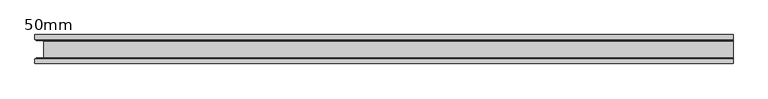
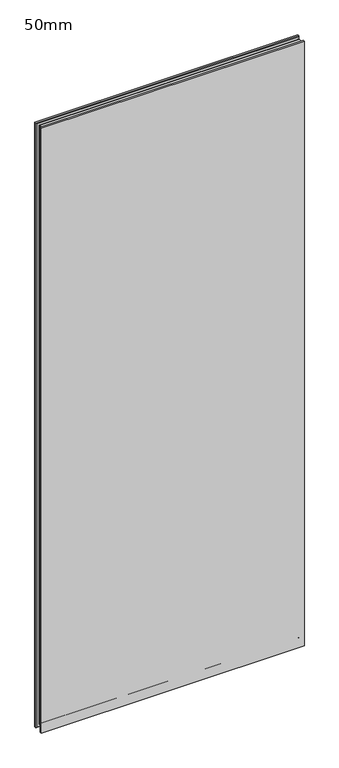
"""IFC4 building model written with IfcOpenShell, lengths in millimetres: plate geometry, 50mm."""

import ifcopenshell
import ifcopenshell.guid

model = None  # the IFC model being written
_history = None  # IfcOwnerHistory: only IFC2X3 demands one
_inside = {}  # id of a spatial element -> (the spatial element, [elements in it])
_under = {}  # id of a project, library or spatial element -> (it, [spatial elements below it])
_declared = {}  # id of a project -> (the project, [libraries it declares])
_typed = {}  # id of a type object -> (the type object, [elements of that type])
_made_of = {}  # id of a material, layer set ... -> (it, [elements and type objects made of it])


def new_model(schema):
    """Start an empty IFC model of exactly this schema.

    Asked for "IFC4X3", IfcOpenShell would pick the latest addendum, in which some entities
    have other attributes; the version numbers below select the first issue.
    IFC2X3 requires an IfcOwnerHistory on every rooted entity: one is made here for all.
    """
    global model, _history
    if schema == "IFC4X3":
        model = ifcopenshell.file(schema_version=(4, 3, 0, 0))
    else:
        model = ifcopenshell.file(schema=schema)
    _inside.clear()
    _under.clear()
    _declared.clear()
    _typed.clear()
    _made_of.clear()
    _history = None
    if model.schema == "IFC2X3":
        org = make("IfcOrganization", Name="unknown")
        user = make(
            "IfcPersonAndOrganization",
            ThePerson=make("IfcPerson", FamilyName="unknown"),
            TheOrganization=org,
        )
        app = make(
            "IfcApplication",
            ApplicationDeveloper=org,
            Version="unknown",
            ApplicationFullName="unknown",
            ApplicationIdentifier="unknown",
        )
        _history = make(
            "IfcOwnerHistory",
            OwningUser=user,
            OwningApplication=app,
            ChangeAction="ADDED",
            CreationDate=0,
        )
    return model


def make(cls, **values):
    """One entity of the class cls with the attributes given. An attribute that is None is left unset."""
    return model.create_entity(
        cls, **{name: value for name, value in values.items() if value is not None}
    )


def rooted(cls, **values):
    """An entity with a GlobalId (a new one), such as an element, a storey or a relation."""
    return make(cls, GlobalId=ifcopenshell.guid.new(), OwnerHistory=_history, **values)


def si_unit(unit_type, name, prefix=None):
    """IfcSIUnit, for example si_unit("LENGTHUNIT", "METRE", prefix="MILLI")."""
    return make("IfcSIUnit", UnitType=unit_type, Prefix=prefix, Name=name)


def assignment(units):
    """IfcUnitAssignment: the units of a project."""
    return None if units is None else make("IfcUnitAssignment", Units=units)


def point(xyz):
    """IfcCartesianPoint."""
    return None if xyz is None else make("IfcCartesianPoint", Coordinates=xyz)


def direction(xyz):
    """IfcDirection."""
    return None if xyz is None else make("IfcDirection", DirectionRatios=xyz)


def frame(location, z_axis=None, x_axis=None):
    """IfcAxis2Placement3D, a coordinate frame: its origin and axes. An axis left out is left unset."""
    return make(
        "IfcAxis2Placement3D",
        Location=point(location),
        Axis=direction(z_axis),
        RefDirection=direction(x_axis),
    )


def origin():
    """The frame at (0, 0, 0) with its axes left unset."""
    return frame((0.0, 0.0, 0.0))


def place(relative_to, where):
    """IfcLocalPlacement: puts the frame where relative to a parent placement (None: the world)."""
    return make(
        "IfcLocalPlacement", PlacementRelTo=relative_to, RelativePlacement=where
    )


def context(
    kind, dimensions, precision=None, world=None, true_north=None, identifier=None
):
    """IfcGeometricRepresentationContext, for example the 3D "Model" context."""
    return make(
        "IfcGeometricRepresentationContext",
        ContextIdentifier=identifier,
        ContextType=kind,
        CoordinateSpaceDimension=dimensions,
        Precision=precision,
        WorldCoordinateSystem=world,
        TrueNorth=true_north,
    )


def project(units=None, contexts=None):
    """IfcProject with its units and contexts."""
    return rooted(
        "IfcProject",
        Name="project",
        RepresentationContexts=contexts,
        UnitsInContext=assignment(units),
    )


def spatial(cls, under=None, at=None, **own):
    """A site, building, storey or space (cls), placed at a placement, below another one or the project."""
    s = rooted(cls, ObjectPlacement=at, **own)
    if under is not None:
        _under.setdefault(under.id(), (under, []))[1].append(s)
    return s


def polyline(points):
    """IfcPolyline through the points."""
    return make("IfcPolyline", Points=[point(p) for p in points])


def circle_curve(where, radius):
    """IfcCircle in the frame where."""
    return make("IfcCircle", Position=where, Radius=radius)


def ellipse_curve(where, semi_axis1, semi_axis2):
    """IfcEllipse in the frame where."""
    return make(
        "IfcEllipse", Position=where, SemiAxis1=semi_axis1, SemiAxis2=semi_axis2
    )


def shape(context_of_items, identifier, shape_type, items):
    """IfcShapeRepresentation: the items that make up one representation, for example the "Body"."""
    return make(
        "IfcShapeRepresentation",
        ContextOfItems=context_of_items,
        RepresentationIdentifier=identifier,
        RepresentationType=shape_type,
        Items=items,
    )


def source(mapping_origin, context_of_items, identifier, shape_type, items):
    """IfcRepresentationMap: a shape defined once, which mapped items show again and again."""
    return make(
        "IfcRepresentationMap",
        MappingOrigin=mapping_origin,
        MappedRepresentation=shape(context_of_items, identifier, shape_type, items),
    )


def transform(
    local_origin,
    x_axis=None,
    y_axis=None,
    z_axis=None,
    scale=None,
    scale2=None,
    scale3=None,
    uniform=True,
):
    """IfcCartesianTransformationOperator3D, or its non-uniform kind. x_axis, y_axis, z_axis: its Axis1, 2, 3."""
    if uniform:
        return make(
            "IfcCartesianTransformationOperator3D",
            Axis1=direction(x_axis),
            Axis2=direction(y_axis),
            LocalOrigin=point(local_origin),
            Scale=scale,
            Axis3=direction(z_axis),
        )
    return make(
        "IfcCartesianTransformationOperator3DnonUniform",
        Axis1=direction(x_axis),
        Axis2=direction(y_axis),
        LocalOrigin=point(local_origin),
        Scale=scale,
        Axis3=direction(z_axis),
        Scale2=scale2,
        Scale3=scale3,
    )


def mapped(mapping_source, mapping_target):
    """IfcMappedItem: shows the shape of a source again, moved by a transform."""
    return make(
        "IfcMappedItem", MappingSource=mapping_source, MappingTarget=mapping_target
    )


def made_of(thing, what):
    """Note that an element or type object is made of a material, layer set ...; save() writes the relation."""
    if what is not None:
        _made_of.setdefault(what.id(), (what, []))[1].append(thing)
    return thing


def element(
    cls,
    number,
    at=None,
    inside=None,
    cuts=None,
    type_object=None,
    material=None,
    context=None,
    identifier="Body",
    shape_type=None,
    held_by="IfcProductDefinitionShape",
    body=None,
    shapes=None,
    **own,
):
    """One element of the class cls, such as IfcWall. Its Tag is "e" and its number.

    at: its placement. inside: the storey or other place that contains it. cuts: it is an
    opening in that element (IfcRelVoidsElement). A single representation is given by context,
    identifier, shape_type and body (its items); several are given by shapes. held_by: the class
    of the entity that holds the representations. save() writes the other relations.
    """
    e = rooted(cls, Tag="e%d" % number, ObjectPlacement=at, **own)
    if body is not None:
        shapes = [shape(context, identifier, shape_type, body)]
    if shapes is not None:
        e.Representation = make(held_by, Representations=shapes)
    if inside is not None:
        _inside.setdefault(inside.id(), (inside, []))[1].append(e)
    if cuts is not None:
        rooted(
            "IfcRelVoidsElement", RelatingBuildingElement=cuts, RelatedOpeningElement=e
        )
    if type_object is not None:
        _typed.setdefault(type_object.id(), (type_object, []))[1].append(e)
    return made_of(e, material)


def aggregate(whole, parts):
    """IfcRelAggregates: a whole, such as a stair, and the parts it consists of."""
    return rooted("IfcRelAggregates", RelatingObject=whole, RelatedObjects=parts)


def save(model, path):
    """Write the relations noted so far, then the file.

    IfcRelAggregates (storeys below a building ...), IfcRelContainedInSpatialStructure (elements
    in a storey), IfcRelDefinesByType, IfcRelAssociatesMaterial and IfcRelDeclares: one each for
    every whole, place, type object, material and project.
    """
    for whole, parts in _under.values():
        aggregate(whole, parts)
    for where, things in _inside.values():
        rooted(
            "IfcRelContainedInSpatialStructure",
            RelatedElements=things,
            RelatingStructure=where,
        )
    for kind, things in _typed.values():
        rooted("IfcRelDefinesByType", RelatedObjects=things, RelatingType=kind)
    for what, things in _made_of.values():
        rooted("IfcRelAssociatesMaterial", RelatedObjects=things, RelatingMaterial=what)
    for by, libraries in _declared.values():
        rooted("IfcRelDeclares", RelatingContext=by, RelatedDefinitions=libraries)
    model.write(path)


def plane_surface(at):
    """IfcPlane: the flat surface through the origin of the frame at, square to its z axis."""
    return make("IfcPlane", Position=at)


def revolved_surface(curve, axis_point, axis_direction):
    """IfcSurfaceOfRevolution: the curve turned about the line through axis_point along axis_direction."""
    return make(
        "IfcSurfaceOfRevolution",
        SweptCurve=make("IfcArbitraryOpenProfileDef", ProfileType="CURVE", Curve=curve),
        AxisPosition=make("IfcAxis1Placement", Location=point(axis_point), Axis=direction(axis_direction)),
    )


def advanced_brep(points, edges, surfaces, faces):
    """IfcAdvancedBrep: a solid bounded by faces that lie on surfaces and meet in shared edges.

    An edge is (start, end): straight between two places in points (the first is 0);
    or (start, end, curve); or (start, end, curve, False) where it runs against its curve.
    A face is (place in surfaces, loops), or (place, loops, False) where it looks against
    its surface's normal. A loop lists edges by number (the first is 1), with a minus sign
    where the edge is run from its end to its start. The first loop is the outer one.
    """
    corners = [point(p) for p in points]
    vertices = [make("IfcVertexPoint", VertexGeometry=c) for c in corners]
    made = []
    for start, end, *more in edges:
        made.append(
            make(
                "IfcEdgeCurve",
                EdgeStart=vertices[start],
                EdgeEnd=vertices[end],
                EdgeGeometry=more[0] if more else make("IfcPolyline", Points=[corners[start], corners[end]]),
                SameSense=more[1] if len(more) > 1 else True,
            )
        )
    hull = []
    for where, loops, *sense in faces:
        bounds = []
        for j, loop in enumerate(loops):
            ring = [make("IfcOrientedEdge", EdgeElement=made[abs(k) - 1], Orientation=k > 0) for k in loop]
            bounds.append(
                make(
                    "IfcFaceOuterBound" if j == 0 else "IfcFaceBound",
                    Bound=make("IfcEdgeLoop", EdgeList=ring),
                    Orientation=True,
                )
            )
        hull.append(make("IfcAdvancedFace", Bounds=bounds, FaceSurface=surfaces[where], SameSense=sense[0] if sense else True))
    return make("IfcAdvancedBrep", Outer=make("IfcClosedShell", CfsFaces=hull))


def plate_50mm_ed62ffe8(model_context):
    return source(origin(), model_context, "Body", "AdvancedBrep", [
        advanced_brep(
        [(600.0000002, -25.0, 2900.0), (600.0000002, -17.0, 2900.0), (-600.0000002, -17.0, 2900.0), (-600.0000002, -25.0, 2900.0), (-600.0000002, 25.0, 2900.0), (-600.0000002, 17.0, 2900.0), (600.0000002, 17.0, 2900.0), (600.0000002, 25.0, 2900.0), (600.0000002, 25.0, -13.5), (600.0000002, 17.0, -13.5), (-600.0000002, 17.0, -13.5), (-600.0000002, 25.0, -13.5), (-600.0000002, -25.0, -13.5), (-600.0000002, -17.0, -13.5), (600.0000002, -17.0, -13.5), (600.0000002, -25.0, -13.5), (600.0000002, -25.0, -12.5), (600.0000002, -25.0, 2899.0), (600.0000002, 25.0, 2899.0), (600.0000002, 25.0, -12.5), (600.0000002, 15.0, 2898.0), (600.0000002, 15.0, 2885.6), (600.0000002, 14.4, 2885.0), (600.0000002, -14.4, 2885.0), (600.0000002, -15.0, 2885.6), (600.0000002, -15.0, 2898.0), (600.0000002, -15.0, -11.5), (600.0000002, -15.0, 0.9), (600.0000002, -14.4, 1.5), (600.0000002, 14.4, 1.5), (600.0000002, 15.0, 0.9), (600.0000002, 15.0, -11.5), (-598.0000002, 15.0, -11.5), (-585.0000002, 14.4, 1.5), (-585.6000002, 15.0, 0.9), (-585.0000002, -14.4, 1.5), (-585.6000002, -15.0, 0.9), (-598.0000002, -15.0, -11.5), (-598.0000002, 15.0, 2898.0), (-585.6000002, 15.0, 2885.6), (-585.0000002, 14.4, 2885.0), (-585.0000002, -14.4, 2885.0), (-585.6000002, -15.0, 2885.6), (-598.0000002, -15.0, 2898.0)],
        [
            (0, 1),
            (1, 2),
            (2, 3),
            (3, 0),
            (4, 5),
            (5, 6),
            (6, 7),
            (7, 4),
            (8, 9),
            (9, 10),
            (10, 11),
            (11, 8),
            (12, 13),
            (13, 14),
            (14, 15),
            (15, 12),
            (3, 12),
            (15, 16),
            (16, 17),
            (17, 0),
            (2, 13),
            (10, 5),
            (4, 11),
            (7, 18),
            (18, 19),
            (19, 8),
            (6, 20),
            (20, 21),
            (21, 22, circle_curve(frame((600.0000002, 14.4, 2885.6), z_axis=(-1.0, 0.0, 0.0), x_axis=(0.0, 4.547473508134654e-12, -1.0)), 0.6)),
            (22, 23),
            (23, 24, circle_curve(frame((600.0000002, -14.4, 2885.6), z_axis=(-1.0, 0.0, 0.0), x_axis=(0.0, -1.0, 0.0)), 0.6)),
            (24, 25),
            (25, 1),
            (14, 26),
            (26, 27),
            (27, 28, circle_curve(frame((600.0000002, -14.4, 0.9), z_axis=(-1.0, 0.0, 0.0), x_axis=(0.0, -1.0, 0.0)), 0.6)),
            (28, 29),
            (29, 30, circle_curve(frame((600.0000002, 14.4, 0.9), z_axis=(-1.0, 0.0, 0.0), x_axis=(0.0, 4.547473508134654e-12, 1.0)), 0.6)),
            (30, 31),
            (31, 9),
            (32, 10),
            (31, 32),
            (33, 34, ellipse_curve(frame((-585.6000002, 14.4, 0.9), z_axis=(-0.7071067811865475, 0.0, 0.7071067811865475), x_axis=(-0.7071067811865476, 0.0, -0.7071067811865474)), 0.8485281, 0.6)),
            (34, 30),
            (29, 33),
            (28, 35),
            (35, 33),
            (27, 36),
            (36, 35, ellipse_curve(frame((-585.6000002, -14.4, 0.9), z_axis=(-0.7071067811865475, 0.0, 0.7071067811865475), x_axis=(-0.7071067811865476, 0.0, -0.7071067811865474)), 0.8485281, 0.6)),
            (13, 37),
            (37, 26),
            (5, 38),
            (38, 20),
            (39, 40, ellipse_curve(frame((-585.6000002, 14.4, 2885.6), z_axis=(-0.7071067811865475, 0.0, -0.7071067811865475), x_axis=(0.7071067811865476, 0.0, -0.7071067811865474)), 0.8485281, 0.6)),
            (40, 22),
            (21, 39),
            (40, 41),
            (41, 23),
            (41, 42, ellipse_curve(frame((-585.6000002, -14.4, 2885.6), z_axis=(-0.7071067811865475, 0.0, -0.7071067811865475), x_axis=(0.7071067811865476, 0.0, -0.7071067811865474)), 0.8485281, 0.6)),
            (42, 24),
            (43, 2),
            (25, 43),
            (32, 38),
            (33, 40),
            (39, 34),
            (35, 41),
            (36, 42),
            (43, 37),
        ],
        [
            plane_surface(frame((-600.0000002, -25.0, 2900.0), z_axis=(0.0, 0.0, 1.0), x_axis=(-1.0, 0.0, 0.0))),
            plane_surface(frame((-600.0000002, -25.0, -13.5), z_axis=(0.0, 0.0, -1.0), x_axis=(1.0, 0.0, 0.0))),
            plane_surface(frame((600.0000002, -25.0, 2900.0), z_axis=(0.0, -1.0, 0.0), x_axis=(0.0, 0.0, -1.0))),
            plane_surface(frame((-600.0000002, -25.0, 2900.0), z_axis=(-1.0, 0.0, 0.0), x_axis=(0.0, 0.0, -1.0))),
            plane_surface(frame((-600.0000002, 25.0, 2900.0), z_axis=(0.0, 1.0, 0.0), x_axis=(0.0, 0.0, -1.0))),
            plane_surface(frame((600.0000002, 25.0, 2900.0), z_axis=(1.0, 0.0, 0.0), x_axis=(0.0, 0.0, -1.0))),
            plane_surface(frame((-600.0000002, 17.0, -13.5), z_axis=(0.0, -0.7071067811866751, -0.7071067811864199), x_axis=(1.0, 0.0, 0.0))),
            revolved_surface(polyline([(-586.2000001735373, 14.400000000002729, 1.5), (600.0000002, 14.400000000002729, 1.5)]), (-586.5000002, 14.4, 0.9), (-1.0, 0.0, 0.0)),
            plane_surface(frame((-585.0000002, 14.4, 1.5), z_axis=(0.0, 0.0, -1.0), x_axis=(1.0, 0.0, 0.0))),
            revolved_surface(polyline([(-586.2000001735373, -15.0, 0.9), (600.0000002, -15.0, 0.9)]), (-586.5000002, -14.4, 0.9), (-1.0, 0.0, 0.0)),
            plane_surface(frame((-598.0000002, -15.0, -11.5), z_axis=(0.0, 0.7071067811660012, -0.7071067812070939), x_axis=(1.0, 0.0, 0.0))),
            plane_surface(frame((600.0000002, 17.0, 2900.0), z_axis=(0.0, -0.7071067811866751, 0.7071067811864199), x_axis=(-1.0, 0.0, 0.0))),
            revolved_surface(polyline([(600.0000002, 14.400000000002729, 2885.0), (-586.2000001735372, 14.400000000002729, 2885.0)]), (600.0000002, 14.4, 2885.6), (1.0, 0.0, 0.0)),
            plane_surface(frame((600.0000002, 14.4, 2885.0), z_axis=(0.0, 0.0, 1.0), x_axis=(-1.0, 0.0, 0.0))),
            revolved_surface(polyline([(600.0000002, -15.0, 2885.6), (-586.2000001735372, -15.0, 2885.6)]), (600.0000002, -14.4, 2885.6), (1.0, 0.0, 0.0)),
            plane_surface(frame((600.0000002, -15.0, 2898.0), z_axis=(0.0, 0.7071067811660012, 0.7071067812070939), x_axis=(-1.0, 0.0, 0.0))),
            plane_surface(frame((-600.0000002, 17.0, 2900.0), z_axis=(-0.7071067811864199, -0.7071067811866751, 0.0), x_axis=(0.0, 0.0, -1.0))),
            revolved_surface(polyline([(-585.0000001999999, 14.400000000002729, 2886.199999973537), (-585.0000001999999, 14.400000000002729, 0.30000002646283974)]), (-585.6000002, 14.4, 2886.5), (0.0, 0.0, 1.0)),
            plane_surface(frame((-585.0000002, 14.4, 2885.0), z_axis=(-1.0, 0.0, 0.0), x_axis=(0.0, 0.0, -1.0))),
            revolved_surface(polyline([(-585.6000002, -15.0, 2886.199999973537), (-585.6000002, -15.0, 0.30000002646283974)]), (-585.6000002, -14.4, 2886.5), (0.0, 0.0, 1.0)),
            plane_surface(frame((-598.0000002, -15.0, 2898.0), z_axis=(-0.7071067812070939, 0.7071067811660012, 0.0), x_axis=(0.0, 0.0, -1.0))),
            plane_surface(frame((600.0000002, 15.0, 2898.0), z_axis=(0.0, -1.0, 0.0), x_axis=(-1.0, 0.0, 0.0))),
            plane_surface(frame((600.0000002, -15.0, 2885.6), z_axis=(0.0, 1.0, 0.0), x_axis=(-1.0, 0.0, 0.0))),
        ],
        [
            (0, [[1, 2, 3, 4]]),
            (0, [[5, 6, 7, 8]]),
            (1, [[9, 10, 11, 12]]),
            (1, [[13, 14, 15, 16]]),
            (2, [[17, -16, 18, 19, 20, -4]]),
            (3, [[-3, 21, -13, -17]]),
            (3, [[-11, 22, -5, 23]]),
            (4, [[24, 25, 26, -12, -23, -8]]),
            (5, [[27, 28, 29, 30, 31, 32, 33, -1, -20, -19, -18, -15, 34, 35, 36, 37, 38, 39, 40, -9, -26, -25, -24, -7]]),
            (6, [[41, -10, -40, 42]]),
            (7, [[43, 44, -38, 45]]),
            (8, [[-37, 46, 47, -45]]),
            (9, [[-36, 48, 49, -46]]),
            (10, [[-34, -14, 50, 51]]),
            (11, [[-27, -6, 52, 53]]),
            (12, [[54, 55, -29, 56]]),
            (13, [[57, 58, -30, -55]]),
            (14, [[59, 60, -31, -58]]),
            (15, [[61, -2, -33, 62]]),
            (16, [[63, -52, -22, -41]]),
            (17, [[64, -54, 65, -43]]),
            (18, [[66, -57, -64, -47]]),
            (19, [[67, -59, -66, -49]]),
            (20, [[-21, -61, 68, -50]]),
            (21, [[-39, -44, -65, -56, -28, -53, -63, -42]]),
            (22, [[-35, -51, -68, -62, -32, -60, -67, -48]]),
        ],
    ),
    ])


if __name__ == "__main__":
    model = new_model("IFC4")
    model_context = context("Model", 3, world=origin())
    ifc_project = project(units=[si_unit("LENGTHUNIT", "METRE", prefix="MILLI")], contexts=[model_context])
    site = spatial("IfcSite", under=ifc_project)
    building = spatial("IfcBuilding", under=site)
    placement = place(None, origin())
    plate_50mm_shape = plate_50mm_ed62ffe8(model_context)
    element("IfcPlate", 1, ObjectType="50mm", at=placement, inside=building, context=model_context, shape_type="MappedRepresentation", body=[
        mapped(plate_50mm_shape, transform((0.0, 0.0, 0.0), x_axis=(1.0, 0.0, 0.0), y_axis=(0.0, 1.0, 0.0), z_axis=(0.0, 0.0, 1.0))),
    ])
    save(model, "model.ifc")
